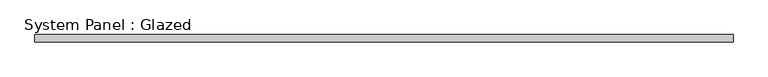
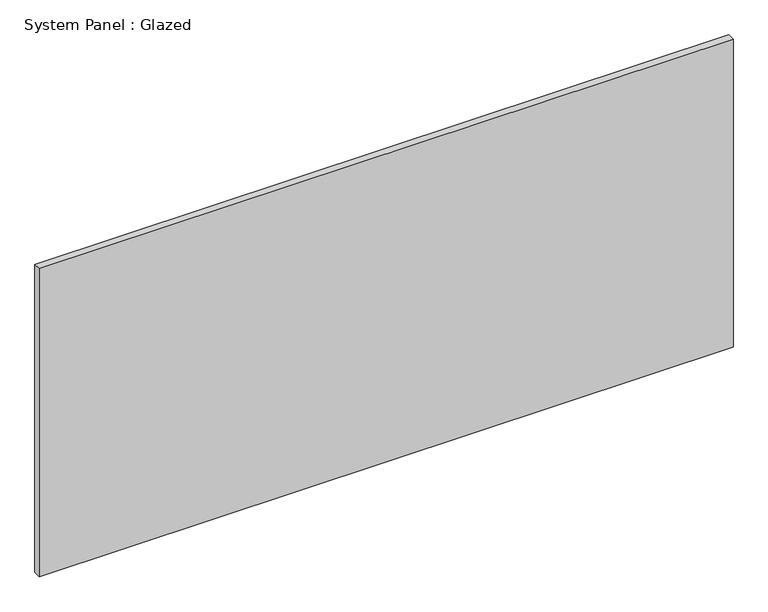
"""IFC4 building model written with IfcOpenShell, lengths in millimetres: plate geometry, System Panel : Glazed."""

import ifcopenshell
import ifcopenshell.guid

model = None  # the IFC model being written
_history = None  # IfcOwnerHistory: only IFC2X3 demands one
_inside = {}  # id of a spatial element -> (the spatial element, [elements in it])
_under = {}  # id of a project, library or spatial element -> (it, [spatial elements below it])
_declared = {}  # id of a project -> (the project, [libraries it declares])
_typed = {}  # id of a type object -> (the type object, [elements of that type])
_made_of = {}  # id of a material, layer set ... -> (it, [elements and type objects made of it])


def new_model(schema):
    """Start an empty IFC model of exactly this schema.

    Asked for "IFC4X3", IfcOpenShell would pick the latest addendum, in which some entities
    have other attributes; the version numbers below select the first issue.
    IFC2X3 requires an IfcOwnerHistory on every rooted entity: one is made here for all.
    """
    global model, _history
    if schema == "IFC4X3":
        model = ifcopenshell.file(schema_version=(4, 3, 0, 0))
    else:
        model = ifcopenshell.file(schema=schema)
    _inside.clear()
    _under.clear()
    _declared.clear()
    _typed.clear()
    _made_of.clear()
    _history = None
    if model.schema == "IFC2X3":
        org = make("IfcOrganization", Name="unknown")
        user = make(
            "IfcPersonAndOrganization",
            ThePerson=make("IfcPerson", FamilyName="unknown"),
            TheOrganization=org,
        )
        app = make(
            "IfcApplication",
            ApplicationDeveloper=org,
            Version="unknown",
            ApplicationFullName="unknown",
            ApplicationIdentifier="unknown",
        )
        _history = make(
            "IfcOwnerHistory",
            OwningUser=user,
            OwningApplication=app,
            ChangeAction="ADDED",
            CreationDate=0,
        )
    return model


def make(cls, **values):
    """One entity of the class cls with the attributes given. An attribute that is None is left unset."""
    return model.create_entity(
        cls, **{name: value for name, value in values.items() if value is not None}
    )


def rooted(cls, **values):
    """An entity with a GlobalId (a new one), such as an element, a storey or a relation."""
    return make(cls, GlobalId=ifcopenshell.guid.new(), OwnerHistory=_history, **values)


def si_unit(unit_type, name, prefix=None):
    """IfcSIUnit, for example si_unit("LENGTHUNIT", "METRE", prefix="MILLI")."""
    return make("IfcSIUnit", UnitType=unit_type, Prefix=prefix, Name=name)


def assignment(units):
    """IfcUnitAssignment: the units of a project."""
    return None if units is None else make("IfcUnitAssignment", Units=units)


def point(xyz):
    """IfcCartesianPoint."""
    return None if xyz is None else make("IfcCartesianPoint", Coordinates=xyz)


def direction(xyz):
    """IfcDirection."""
    return None if xyz is None else make("IfcDirection", DirectionRatios=xyz)


def frame(location, z_axis=None, x_axis=None):
    """IfcAxis2Placement3D, a coordinate frame: its origin and axes. An axis left out is left unset."""
    return make(
        "IfcAxis2Placement3D",
        Location=point(location),
        Axis=direction(z_axis),
        RefDirection=direction(x_axis),
    )


def origin():
    """The frame at (0, 0, 0) with its axes left unset."""
    return frame((0.0, 0.0, 0.0))


def origin_with_axes():
    """The frame at (0, 0, 0) with the z axis (0, 0, 1) and the x axis (1, 0, 0) written out."""
    return frame((0.0, 0.0, 0.0), z_axis=(0.0, 0.0, 1.0), x_axis=(1.0, 0.0, 0.0))


def place(relative_to, where):
    """IfcLocalPlacement: puts the frame where relative to a parent placement (None: the world)."""
    return make(
        "IfcLocalPlacement", PlacementRelTo=relative_to, RelativePlacement=where
    )


def context(
    kind, dimensions, precision=None, world=None, true_north=None, identifier=None
):
    """IfcGeometricRepresentationContext, for example the 3D "Model" context."""
    return make(
        "IfcGeometricRepresentationContext",
        ContextIdentifier=identifier,
        ContextType=kind,
        CoordinateSpaceDimension=dimensions,
        Precision=precision,
        WorldCoordinateSystem=world,
        TrueNorth=true_north,
    )


def project(units=None, contexts=None):
    """IfcProject with its units and contexts."""
    return rooted(
        "IfcProject",
        Name="project",
        RepresentationContexts=contexts,
        UnitsInContext=assignment(units),
    )


def spatial(cls, under=None, at=None, **own):
    """A site, building, storey or space (cls), placed at a placement, below another one or the project."""
    s = rooted(cls, ObjectPlacement=at, **own)
    if under is not None:
        _under.setdefault(under.id(), (under, []))[1].append(s)
    return s


def polyline(points):
    """IfcPolyline through the points."""
    return make("IfcPolyline", Points=[point(p) for p in points])


def outline(outer, holes=None, kind="AREA"):
    """IfcArbitraryClosedProfileDef: a profile drawn as a closed curve; with holes, ...WithVoids."""
    if holes is None:
        return make("IfcArbitraryClosedProfileDef", ProfileType=kind, OuterCurve=outer)
    return make(
        "IfcArbitraryProfileDefWithVoids",
        ProfileType=kind,
        OuterCurve=outer,
        InnerCurves=holes,
    )


def extrude(swept, where, along, depth):
    """IfcExtrudedAreaSolid: the profile swept, set in the frame where, extruded along a direction by depth."""
    return make(
        "IfcExtrudedAreaSolid",
        SweptArea=swept,
        Position=where,
        ExtrudedDirection=direction(along),
        Depth=depth,
    )


def shape(context_of_items, identifier, shape_type, items):
    """IfcShapeRepresentation: the items that make up one representation, for example the "Body"."""
    return make(
        "IfcShapeRepresentation",
        ContextOfItems=context_of_items,
        RepresentationIdentifier=identifier,
        RepresentationType=shape_type,
        Items=items,
    )


def source(mapping_origin, context_of_items, identifier, shape_type, items):
    """IfcRepresentationMap: a shape defined once, which mapped items show again and again."""
    return make(
        "IfcRepresentationMap",
        MappingOrigin=mapping_origin,
        MappedRepresentation=shape(context_of_items, identifier, shape_type, items),
    )


def transform(
    local_origin,
    x_axis=None,
    y_axis=None,
    z_axis=None,
    scale=None,
    scale2=None,
    scale3=None,
    uniform=True,
):
    """IfcCartesianTransformationOperator3D, or its non-uniform kind. x_axis, y_axis, z_axis: its Axis1, 2, 3."""
    if uniform:
        return make(
            "IfcCartesianTransformationOperator3D",
            Axis1=direction(x_axis),
            Axis2=direction(y_axis),
            LocalOrigin=point(local_origin),
            Scale=scale,
            Axis3=direction(z_axis),
        )
    return make(
        "IfcCartesianTransformationOperator3DnonUniform",
        Axis1=direction(x_axis),
        Axis2=direction(y_axis),
        LocalOrigin=point(local_origin),
        Scale=scale,
        Axis3=direction(z_axis),
        Scale2=scale2,
        Scale3=scale3,
    )


def mapped(mapping_source, mapping_target):
    """IfcMappedItem: shows the shape of a source again, moved by a transform."""
    return make(
        "IfcMappedItem", MappingSource=mapping_source, MappingTarget=mapping_target
    )


def made_of(thing, what):
    """Note that an element or type object is made of a material, layer set ...; save() writes the relation."""
    if what is not None:
        _made_of.setdefault(what.id(), (what, []))[1].append(thing)
    return thing


def element(
    cls,
    number,
    at=None,
    inside=None,
    cuts=None,
    type_object=None,
    material=None,
    context=None,
    identifier="Body",
    shape_type=None,
    held_by="IfcProductDefinitionShape",
    body=None,
    shapes=None,
    **own,
):
    """One element of the class cls, such as IfcWall. Its Tag is "e" and its number.

    at: its placement. inside: the storey or other place that contains it. cuts: it is an
    opening in that element (IfcRelVoidsElement). A single representation is given by context,
    identifier, shape_type and body (its items); several are given by shapes. held_by: the class
    of the entity that holds the representations. save() writes the other relations.
    """
    e = rooted(cls, Tag="e%d" % number, ObjectPlacement=at, **own)
    if body is not None:
        shapes = [shape(context, identifier, shape_type, body)]
    if shapes is not None:
        e.Representation = make(held_by, Representations=shapes)
    if inside is not None:
        _inside.setdefault(inside.id(), (inside, []))[1].append(e)
    if cuts is not None:
        rooted(
            "IfcRelVoidsElement", RelatingBuildingElement=cuts, RelatedOpeningElement=e
        )
    if type_object is not None:
        _typed.setdefault(type_object.id(), (type_object, []))[1].append(e)
    return made_of(e, material)


def aggregate(whole, parts):
    """IfcRelAggregates: a whole, such as a stair, and the parts it consists of."""
    return rooted("IfcRelAggregates", RelatingObject=whole, RelatedObjects=parts)


def save(model, path):
    """Write the relations noted so far, then the file.

    IfcRelAggregates (storeys below a building ...), IfcRelContainedInSpatialStructure (elements
    in a storey), IfcRelDefinesByType, IfcRelAssociatesMaterial and IfcRelDeclares: one each for
    every whole, place, type object, material and project.
    """
    for whole, parts in _under.values():
        aggregate(whole, parts)
    for where, things in _inside.values():
        rooted(
            "IfcRelContainedInSpatialStructure",
            RelatedElements=things,
            RelatingStructure=where,
        )
    for kind, things in _typed.values():
        rooted("IfcRelDefinesByType", RelatedObjects=things, RelatingType=kind)
    for what, things in _made_of.values():
        rooted("IfcRelAssociatesMaterial", RelatedObjects=things, RelatingMaterial=what)
    for by, libraries in _declared.values():
        rooted("IfcRelDeclares", RelatingContext=by, RelatedDefinitions=libraries)
    model.write(path)


def system_panel_glazed_a563c23d(model_context):
    return source(origin(), model_context, "Body", "SweptSolid", [
        extrude(outline(polyline([(1196.6516214, 19.05), (-1196.6516214, 19.05), (-1196.6516214, 44.45), (1196.6516214, 44.45), (1196.6516214, 19.05)])), origin_with_axes(), (0.0, 0.0, 1.0), 1123.95),
    ])


if __name__ == "__main__":
    model = new_model("IFC4")
    model_context = context("Model", 3, world=origin())
    ifc_project = project(units=[si_unit("LENGTHUNIT", "METRE", prefix="MILLI")], contexts=[model_context])
    site = spatial("IfcSite", under=ifc_project)
    building = spatial("IfcBuilding", under=site)
    placement = place(None, origin())
    system_panel_glazed_shape = system_panel_glazed_a563c23d(model_context)
    element("IfcPlate", 1, ObjectType="System Panel : Glazed", at=placement, inside=building, context=model_context, shape_type="MappedRepresentation", body=[
        mapped(system_panel_glazed_shape, transform((0.0, 0.0, 0.0), x_axis=(1.0, 0.0, 0.0), y_axis=(0.0, 1.0, 0.0), z_axis=(0.0, 0.0, 1.0))),
    ])
    save(model, "model.ifc")
